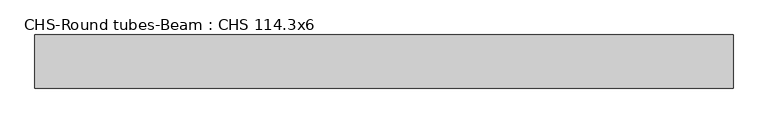
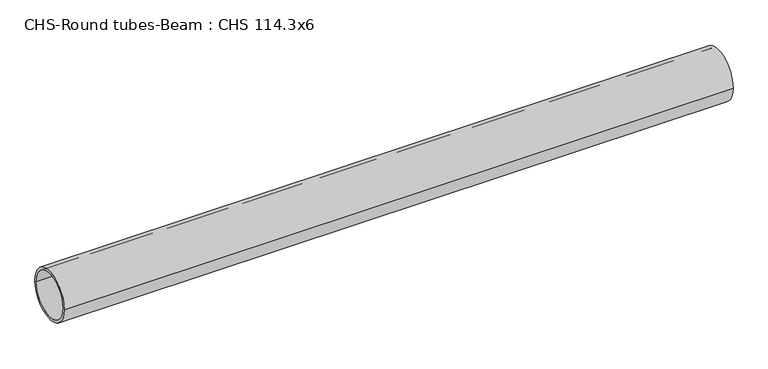
"""IFC4 building model written with IfcOpenShell, lengths in millimetres: beam geometry, CHS-Round tubes-Beam : CHS 114.3x6."""

from ifc_helpers import new_model, si_unit, point, frame, origin, origin_2d, place, context, project, spatial, circle_curve, trimmed, segment, composite_curve, outline, extrude, source, transform, mapped, element, save


def chs_round_tubes_beam_chs_114_3x6_863c8313(model_context):
    return source(origin(), model_context, "Body", "SweptSolid", [
        extrude(outline(composite_curve([segment(trimmed(circle_curve(origin_2d(), 57.15), [point((57.15, 0.0))], [point((-57.15, 0.0))], False, "CARTESIAN"), True, "CONTINUOUS"), segment(trimmed(circle_curve(origin_2d(), 57.15), [point((-57.15, 0.0))], [point((57.15, 0.0))], False, "CARTESIAN"), True, "CONTINUOUS")], self_intersect=False), holes=[composite_curve([segment(trimmed(circle_curve(origin_2d(), 51.15), [point((51.15, 0.0))], [point((-51.15, 0.0))], True, "CARTESIAN"), True, "CONTINUOUS"), segment(trimmed(circle_curve(origin_2d(), 51.15), [point((-51.15, 0.0))], [point((51.15, 0.0))], True, "CARTESIAN"), True, "CONTINUOUS")], self_intersect=False)]), frame((-736.7255057, 0.0, 0.0), z_axis=(1.0, 0.0, 0.0), x_axis=(0.0, 1.0, 0.0)), (0.0, 0.0, 1.0), 1501.7709372),
    ])


if __name__ == "__main__":
    model = new_model("IFC4")
    model_context = context("Model", 3, world=origin())
    ifc_project = project(units=[si_unit("LENGTHUNIT", "METRE", prefix="MILLI")], contexts=[model_context])
    site = spatial("IfcSite", under=ifc_project)
    building = spatial("IfcBuilding", under=site)
    placement = place(None, origin())
    chs_round_tubes_beam_chs_114_3x6_shape = chs_round_tubes_beam_chs_114_3x6_863c8313(model_context)
    element("IfcBeam", 1, ObjectType="CHS-Round tubes-Beam : CHS 114.3x6", at=placement, inside=building, context=model_context, shape_type="MappedRepresentation", body=[
        mapped(chs_round_tubes_beam_chs_114_3x6_shape, transform((0.0, 0.0, 0.0), x_axis=(1.0, 0.0, 0.0), y_axis=(0.0, 1.0, 0.0), z_axis=(0.0, 0.0, 1.0))),
    ])
    save(model, "model.ifc")
